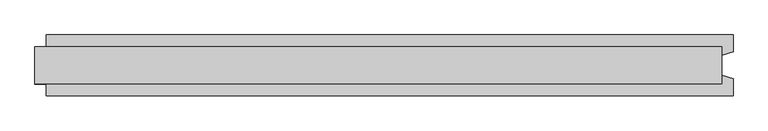
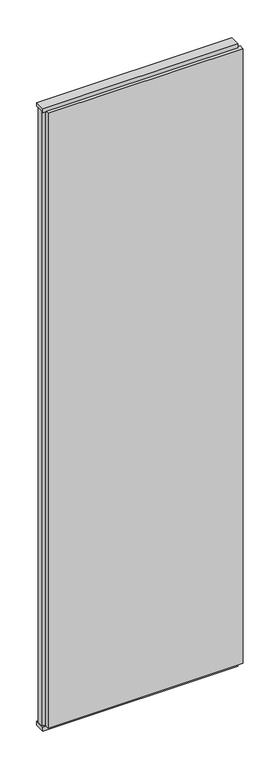
"""IFC4 building model written with IfcOpenShell, lengths in millimetres: plate geometry."""

from ifc_helpers import new_model, si_unit, frame, origin, origin_with_axes, place, context, project, spatial, polyline, outline, extrude, source, transform, mapped, element, save


def plate_87f10c5a(model_context):
    return source(origin(), model_context, "Body", "SweptSolid", [
        extrude(outline(polyline([(613.5, 52.5), (613.5, 22.9993165), (593.5, 17.6401049), (593.5, -17.6401049), (613.5, -22.9993165), (613.5, -52.5), (-573.5, -52.5), (-573.5, -22.9993165), (-593.5, -17.6401049), (-593.5, 17.6401049), (-573.5, 22.9993165), (-573.5, 52.5), (613.5, 52.5)])), frame((0.0, 0.0, 25.0), z_axis=(0.0, 0.0, 1.0), x_axis=(1.0, 0.0, 0.0)), (0.0, 0.0, 1.0), 3950.0),
        extrude(outline(polyline([(593.5, 32.0), (593.5, -32.0), (-593.5, -32.0), (-593.5, 32.0), (593.5, 32.0)])), origin_with_axes(), (0.0, 0.0, 1.0), 25.0),
        extrude(outline(polyline([(593.5, 32.0), (593.5, -32.0), (-593.5, -32.0), (-593.5, 32.0), (593.5, 32.0)])), frame((0.0, 0.0, 3975.0), z_axis=(0.0, 0.0, 1.0), x_axis=(1.0, 0.0, 0.0)), (0.0, 0.0, 1.0), 25.0),
    ])


if __name__ == "__main__":
    model = new_model("IFC4")
    model_context = context("Model", 3, world=origin())
    ifc_project = project(units=[si_unit("LENGTHUNIT", "METRE", prefix="MILLI")], contexts=[model_context])
    site = spatial("IfcSite", under=ifc_project)
    building = spatial("IfcBuilding", under=site)
    placement = place(None, origin())
    plate_shape = plate_87f10c5a(model_context)
    element("IfcPlate", 1, at=placement, inside=building, context=model_context, shape_type="MappedRepresentation", body=[
        mapped(plate_shape, transform((0.0, 0.0, 0.0), x_axis=(1.0, 0.0, 0.0), y_axis=(0.0, 1.0, 0.0), z_axis=(0.0, 0.0, 1.0))),
    ])
    save(model, "model.ifc")
